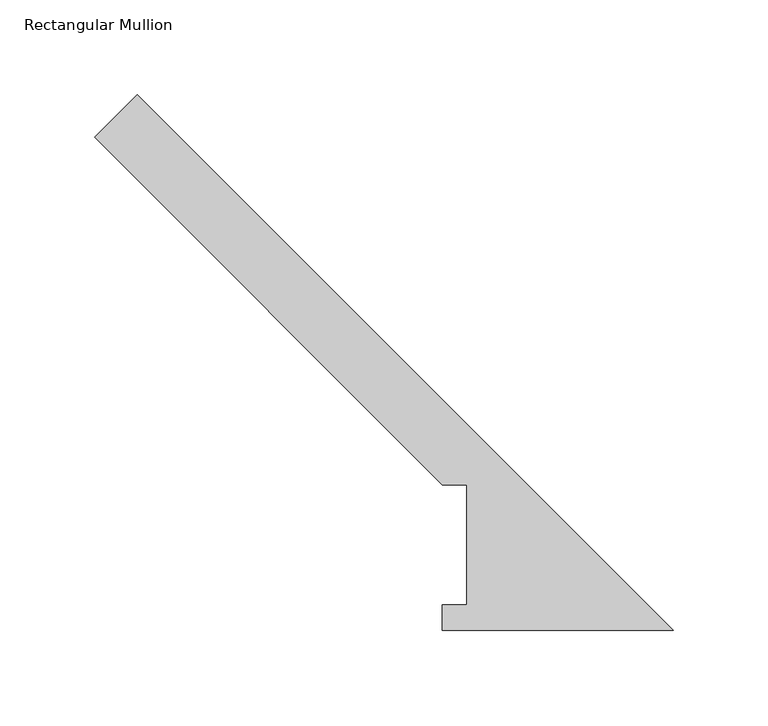
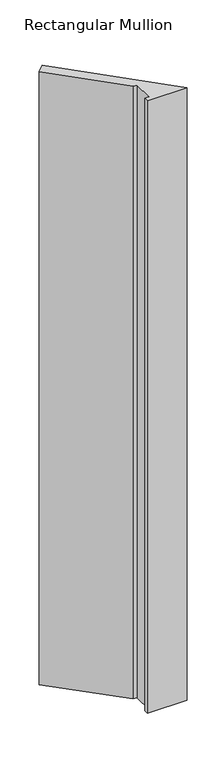
"""IFC4 building model written with IfcOpenShell, lengths in millimetres: member geometry, Rectangular Mullion."""

import ifcopenshell
import ifcopenshell.guid

model = None  # the IFC model being written
_history = None  # IfcOwnerHistory: only IFC2X3 demands one
_inside = {}  # id of a spatial element -> (the spatial element, [elements in it])
_under = {}  # id of a project, library or spatial element -> (it, [spatial elements below it])
_declared = {}  # id of a project -> (the project, [libraries it declares])
_typed = {}  # id of a type object -> (the type object, [elements of that type])
_made_of = {}  # id of a material, layer set ... -> (it, [elements and type objects made of it])


def new_model(schema):
    """Start an empty IFC model of exactly this schema.

    Asked for "IFC4X3", IfcOpenShell would pick the latest addendum, in which some entities
    have other attributes; the version numbers below select the first issue.
    IFC2X3 requires an IfcOwnerHistory on every rooted entity: one is made here for all.
    """
    global model, _history
    if schema == "IFC4X3":
        model = ifcopenshell.file(schema_version=(4, 3, 0, 0))
    else:
        model = ifcopenshell.file(schema=schema)
    _inside.clear()
    _under.clear()
    _declared.clear()
    _typed.clear()
    _made_of.clear()
    _history = None
    if model.schema == "IFC2X3":
        org = make("IfcOrganization", Name="unknown")
        user = make(
            "IfcPersonAndOrganization",
            ThePerson=make("IfcPerson", FamilyName="unknown"),
            TheOrganization=org,
        )
        app = make(
            "IfcApplication",
            ApplicationDeveloper=org,
            Version="unknown",
            ApplicationFullName="unknown",
            ApplicationIdentifier="unknown",
        )
        _history = make(
            "IfcOwnerHistory",
            OwningUser=user,
            OwningApplication=app,
            ChangeAction="ADDED",
            CreationDate=0,
        )
    return model


def make(cls, **values):
    """One entity of the class cls with the attributes given. An attribute that is None is left unset."""
    return model.create_entity(
        cls, **{name: value for name, value in values.items() if value is not None}
    )


def rooted(cls, **values):
    """An entity with a GlobalId (a new one), such as an element, a storey or a relation."""
    return make(cls, GlobalId=ifcopenshell.guid.new(), OwnerHistory=_history, **values)


def si_unit(unit_type, name, prefix=None):
    """IfcSIUnit, for example si_unit("LENGTHUNIT", "METRE", prefix="MILLI")."""
    return make("IfcSIUnit", UnitType=unit_type, Prefix=prefix, Name=name)


def assignment(units):
    """IfcUnitAssignment: the units of a project."""
    return None if units is None else make("IfcUnitAssignment", Units=units)


def point(xyz):
    """IfcCartesianPoint."""
    return None if xyz is None else make("IfcCartesianPoint", Coordinates=xyz)


def direction(xyz):
    """IfcDirection."""
    return None if xyz is None else make("IfcDirection", DirectionRatios=xyz)


def frame(location, z_axis=None, x_axis=None):
    """IfcAxis2Placement3D, a coordinate frame: its origin and axes. An axis left out is left unset."""
    return make(
        "IfcAxis2Placement3D",
        Location=point(location),
        Axis=direction(z_axis),
        RefDirection=direction(x_axis),
    )


def origin():
    """The frame at (0, 0, 0) with its axes left unset."""
    return frame((0.0, 0.0, 0.0))


def place(relative_to, where):
    """IfcLocalPlacement: puts the frame where relative to a parent placement (None: the world)."""
    return make(
        "IfcLocalPlacement", PlacementRelTo=relative_to, RelativePlacement=where
    )


def context(
    kind, dimensions, precision=None, world=None, true_north=None, identifier=None
):
    """IfcGeometricRepresentationContext, for example the 3D "Model" context."""
    return make(
        "IfcGeometricRepresentationContext",
        ContextIdentifier=identifier,
        ContextType=kind,
        CoordinateSpaceDimension=dimensions,
        Precision=precision,
        WorldCoordinateSystem=world,
        TrueNorth=true_north,
    )


def project(units=None, contexts=None):
    """IfcProject with its units and contexts."""
    return rooted(
        "IfcProject",
        Name="project",
        RepresentationContexts=contexts,
        UnitsInContext=assignment(units),
    )


def spatial(cls, under=None, at=None, **own):
    """A site, building, storey or space (cls), placed at a placement, below another one or the project."""
    s = rooted(cls, ObjectPlacement=at, **own)
    if under is not None:
        _under.setdefault(under.id(), (under, []))[1].append(s)
    return s


def polyline(points):
    """IfcPolyline through the points."""
    return make("IfcPolyline", Points=[point(p) for p in points])


def outline(outer, holes=None, kind="AREA"):
    """IfcArbitraryClosedProfileDef: a profile drawn as a closed curve; with holes, ...WithVoids."""
    if holes is None:
        return make("IfcArbitraryClosedProfileDef", ProfileType=kind, OuterCurve=outer)
    return make(
        "IfcArbitraryProfileDefWithVoids",
        ProfileType=kind,
        OuterCurve=outer,
        InnerCurves=holes,
    )


def extrude(swept, where, along, depth):
    """IfcExtrudedAreaSolid: the profile swept, set in the frame where, extruded along a direction by depth."""
    return make(
        "IfcExtrudedAreaSolid",
        SweptArea=swept,
        Position=where,
        ExtrudedDirection=direction(along),
        Depth=depth,
    )


def shape(context_of_items, identifier, shape_type, items):
    """IfcShapeRepresentation: the items that make up one representation, for example the "Body"."""
    return make(
        "IfcShapeRepresentation",
        ContextOfItems=context_of_items,
        RepresentationIdentifier=identifier,
        RepresentationType=shape_type,
        Items=items,
    )


def source(mapping_origin, context_of_items, identifier, shape_type, items):
    """IfcRepresentationMap: a shape defined once, which mapped items show again and again."""
    return make(
        "IfcRepresentationMap",
        MappingOrigin=mapping_origin,
        MappedRepresentation=shape(context_of_items, identifier, shape_type, items),
    )


def transform(
    local_origin,
    x_axis=None,
    y_axis=None,
    z_axis=None,
    scale=None,
    scale2=None,
    scale3=None,
    uniform=True,
):
    """IfcCartesianTransformationOperator3D, or its non-uniform kind. x_axis, y_axis, z_axis: its Axis1, 2, 3."""
    if uniform:
        return make(
            "IfcCartesianTransformationOperator3D",
            Axis1=direction(x_axis),
            Axis2=direction(y_axis),
            LocalOrigin=point(local_origin),
            Scale=scale,
            Axis3=direction(z_axis),
        )
    return make(
        "IfcCartesianTransformationOperator3DnonUniform",
        Axis1=direction(x_axis),
        Axis2=direction(y_axis),
        LocalOrigin=point(local_origin),
        Scale=scale,
        Axis3=direction(z_axis),
        Scale2=scale2,
        Scale3=scale3,
    )


def mapped(mapping_source, mapping_target):
    """IfcMappedItem: shows the shape of a source again, moved by a transform."""
    return make(
        "IfcMappedItem", MappingSource=mapping_source, MappingTarget=mapping_target
    )


def made_of(thing, what):
    """Note that an element or type object is made of a material, layer set ...; save() writes the relation."""
    if what is not None:
        _made_of.setdefault(what.id(), (what, []))[1].append(thing)
    return thing


def element(
    cls,
    number,
    at=None,
    inside=None,
    cuts=None,
    type_object=None,
    material=None,
    context=None,
    identifier="Body",
    shape_type=None,
    held_by="IfcProductDefinitionShape",
    body=None,
    shapes=None,
    **own,
):
    """One element of the class cls, such as IfcWall. Its Tag is "e" and its number.

    at: its placement. inside: the storey or other place that contains it. cuts: it is an
    opening in that element (IfcRelVoidsElement). A single representation is given by context,
    identifier, shape_type and body (its items); several are given by shapes. held_by: the class
    of the entity that holds the representations. save() writes the other relations.
    """
    e = rooted(cls, Tag="e%d" % number, ObjectPlacement=at, **own)
    if body is not None:
        shapes = [shape(context, identifier, shape_type, body)]
    if shapes is not None:
        e.Representation = make(held_by, Representations=shapes)
    if inside is not None:
        _inside.setdefault(inside.id(), (inside, []))[1].append(e)
    if cuts is not None:
        rooted(
            "IfcRelVoidsElement", RelatingBuildingElement=cuts, RelatedOpeningElement=e
        )
    if type_object is not None:
        _typed.setdefault(type_object.id(), (type_object, []))[1].append(e)
    return made_of(e, material)


def aggregate(whole, parts):
    """IfcRelAggregates: a whole, such as a stair, and the parts it consists of."""
    return rooted("IfcRelAggregates", RelatingObject=whole, RelatedObjects=parts)


def save(model, path):
    """Write the relations noted so far, then the file.

    IfcRelAggregates (storeys below a building ...), IfcRelContainedInSpatialStructure (elements
    in a storey), IfcRelDefinesByType, IfcRelAssociatesMaterial and IfcRelDeclares: one each for
    every whole, place, type object, material and project.
    """
    for whole, parts in _under.values():
        aggregate(whole, parts)
    for where, things in _inside.values():
        rooted(
            "IfcRelContainedInSpatialStructure",
            RelatedElements=things,
            RelatingStructure=where,
        )
    for kind, things in _typed.values():
        rooted("IfcRelDefinesByType", RelatedObjects=things, RelatingType=kind)
    for what, things in _made_of.values():
        rooted("IfcRelAssociatesMaterial", RelatedObjects=things, RelatingMaterial=what)
    for by, libraries in _declared.values():
        rooted("IfcRelDeclares", RelatingContext=by, RelatedDefinitions=libraries)
    model.write(path)


def rectangular_mullion_5e710518(model_context):
    return source(origin(), model_context, "Body", "SweptSolid", [
        extrude(outline(polyline([(-305.5539771, 260.6616386), (-283.1033368, 283.1122789), (0.0, 0.0089421), (-121.9962506, 0.0089421), (-121.9962506, 13.5725421), (-109.1860885, 13.5725421), (-109.1860885, 76.99375), (-121.8860885, 76.99375), (-305.5539771, 260.6616386)])), frame((0.0, 0.0, -1993.9), z_axis=(0.0, 0.0, 1.0), x_axis=(1.0, 0.0, 0.0)), (0.0, 0.0, 1.0), 1993.9),
    ])


if __name__ == "__main__":
    model = new_model("IFC4")
    model_context = context("Model", 3, world=origin())
    ifc_project = project(units=[si_unit("LENGTHUNIT", "METRE", prefix="MILLI")], contexts=[model_context])
    site = spatial("IfcSite", under=ifc_project)
    building = spatial("IfcBuilding", under=site)
    placement = place(None, origin())
    rectangular_mullion_shape = rectangular_mullion_5e710518(model_context)
    element("IfcMember", 1, ObjectType="Rectangular Mullion", at=placement, inside=building, context=model_context, shape_type="MappedRepresentation", body=[
        mapped(rectangular_mullion_shape, transform((0.0, 0.0, 0.0), x_axis=(1.0, 0.0, 0.0), y_axis=(0.0, 1.0, 0.0), z_axis=(0.0, 0.0, 1.0))),
    ])
    save(model, "model.ifc")
